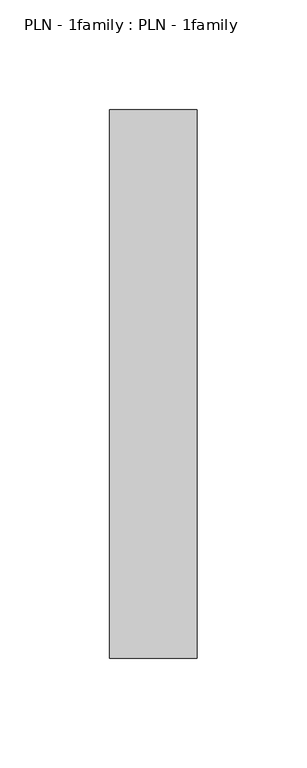
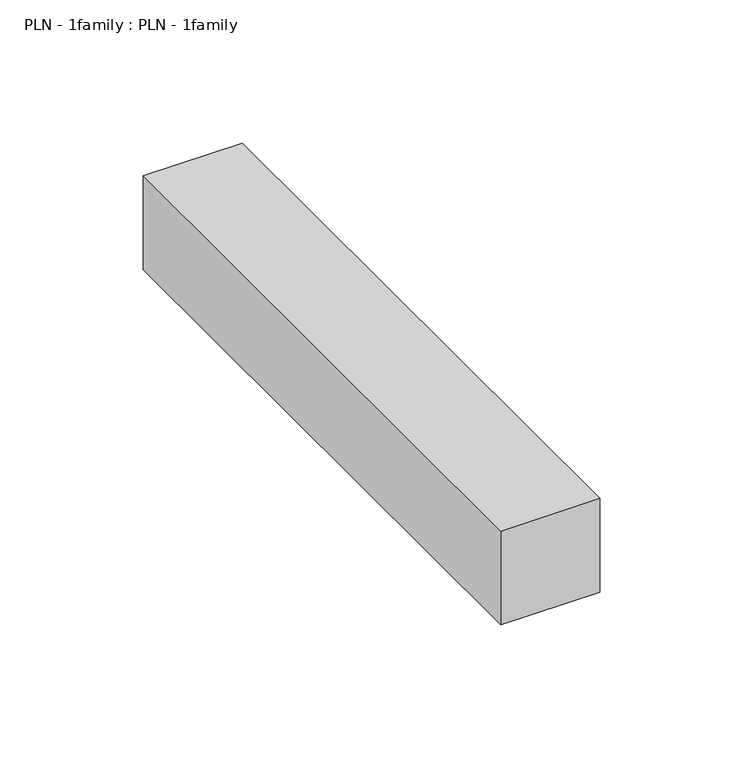
"""IFC4 building model written with IfcOpenShell, lengths in millimetres: proxy geometry, PLN - 1family : PLN - 1family."""

from ifc_helpers import new_model, si_unit, frame, origin, place, context, project, spatial, polyline, outline, extrude, source, transform, mapped, element, save


def pln_1family_pln_1family_2c37be23(model_context):
    return source(origin(), model_context, "Body", "SweptSolid", [
        extrude(outline(polyline([(0.0, 250.0), (40.0, 250.0), (40.0, 0.0), (0.0, 0.0), (0.0, 250.0)])), frame((0.0, 0.0, 150.0), z_axis=(0.0, 0.0, 1.0), x_axis=(1.0, 0.0, 0.0)), (0.0, 0.0, 1.0), 40.0),
    ])


if __name__ == "__main__":
    model = new_model("IFC4")
    model_context = context("Model", 3, world=origin())
    ifc_project = project(units=[si_unit("LENGTHUNIT", "METRE", prefix="MILLI")], contexts=[model_context])
    site = spatial("IfcSite", under=ifc_project)
    building = spatial("IfcBuilding", under=site)
    placement = place(None, origin())
    pln_1family_pln_1family_shape = pln_1family_pln_1family_2c37be23(model_context)
    element("IfcBuildingElementProxy", 1, Name="PLN - 1family : PLN - 1family", ObjectType="PLN - 1family : PLN - 1family", at=placement, inside=building, context=model_context, shape_type="MappedRepresentation", body=[
        mapped(pln_1family_pln_1family_shape, transform((0.0, 0.0, 0.0), x_axis=(1.0, 0.0, 0.0), y_axis=(0.0, 1.0, 0.0), z_axis=(0.0, 0.0, 1.0))),
    ])
    save(model, "model.ifc")
